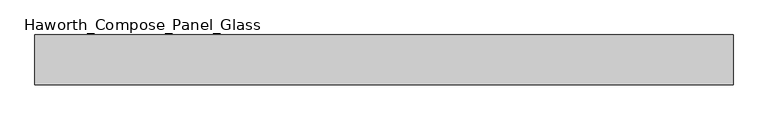
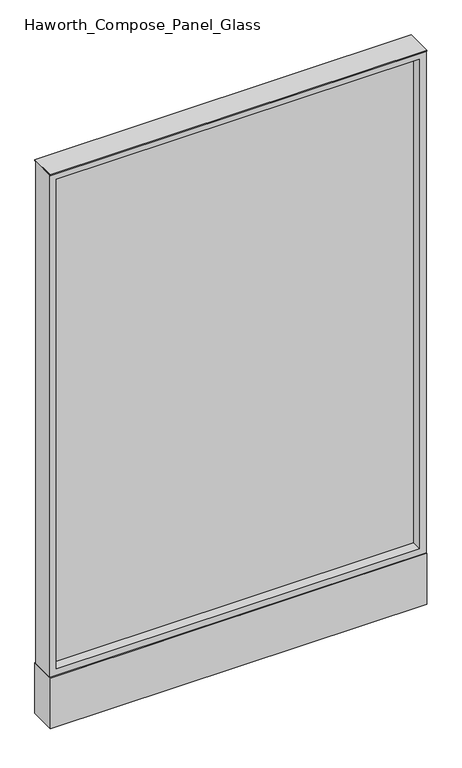
"""IFC4 building model written with IfcOpenShell, lengths in millimetres: furniture geometry, Haworth_Compose_Panel_Glass."""

from ifc_helpers import new_model, si_unit, point, frame, frame_2d, origin, origin_with_axes, place, context, project, spatial, polyline, circle_curve, trimmed, segment, composite_curve, outline, extrude, source, transform, mapped, element, save


def haworth_compose_panel_glass_7b6a0723(model_context):
    return source(origin(), model_context, "Body", "SweptSolid", [
        extrude(outline(composite_curve([segment(trimmed(circle_curve(frame_2d((459.6402902, 0.0)), 12.7), [point((446.9402902, 0.0))], [point((472.3402902, 0.0))], False, "CARTESIAN"), True, "CONTINUOUS"), segment(trimmed(circle_curve(frame_2d((459.6402902, 0.0)), 12.7), [point((472.3402902, 0.0))], [point((446.9402902, 0.0))], False, "CARTESIAN"), True, "CONTINUOUS")], self_intersect=False)), origin_with_axes(), (0.0, 0.0, 1.0), 12.7),
        extrude(outline(composite_curve([segment(trimmed(circle_curve(frame_2d((-454.7597098, 0.0)), 12.7), [point((-467.4597098, 0.0))], [point((-442.0597098, 0.0))], False, "CARTESIAN"), True, "CONTINUOUS"), segment(trimmed(circle_curve(frame_2d((-454.7597098, 0.0)), 12.7), [point((-442.0597098, 0.0))], [point((-467.4597098, 0.0))], False, "CARTESIAN"), True, "CONTINUOUS")], self_intersect=False)), origin_with_axes(), (0.0, 0.0, 1.0), 12.7),
        extrude(outline(polyline([(516.7902902, -6.35), (-511.9097098, -6.35), (-511.9097098, 6.35), (516.7902902, 6.35), (516.7902902, -6.35)])), frame((0.0, 0.0, 184.15), z_axis=(0.0, 0.0, 1.0), x_axis=(1.0, 0.0, 0.0)), (0.0, 0.0, 1.0), 1466.85),
        extrude(outline(polyline([(1670.05, -530.9597098), (165.1, -530.9597098), (165.1, 535.8402902), (1670.05, 535.8402902), (1670.05, -530.9597098)]), holes=[polyline([(1651.0, 516.7902902), (184.15, 516.7902902), (184.15, -511.9097098), (1651.0, -511.9097098), (1651.0, 516.7902902)])]), frame((0.0, -34.925, 0.0), z_axis=(0.0, 1.0, 0.0), x_axis=(0.0, 0.0, 1.0)), (0.0, 0.0, 1.0), 69.85),
        extrude(outline(polyline([(-530.9597098, 38.1), (535.8402902, 38.1), (535.8402902, -38.1), (-530.9597098, -38.1), (-530.9597098, 38.1)])), frame((0.0, 0.0, 12.7), z_axis=(0.0, 0.0, 1.0), x_axis=(1.0, 0.0, 0.0)), (0.0, 0.0, 1.0), 152.4),
        extrude(outline(polyline([(-530.9597098, -38.1), (-530.9597098, 38.1), (535.8402902, 38.1), (535.8402902, -38.1), (-530.9597098, -38.1)])), frame((0.0, 0.0, 1670.05), z_axis=(0.0, 0.0, 1.0), x_axis=(1.0, 0.0, 0.0)), (0.0, 0.0, 1.0), 3.175),
    ])


if __name__ == "__main__":
    model = new_model("IFC4")
    model_context = context("Model", 3, world=origin())
    ifc_project = project(units=[si_unit("LENGTHUNIT", "METRE", prefix="MILLI")], contexts=[model_context])
    site = spatial("IfcSite", under=ifc_project)
    building = spatial("IfcBuilding", under=site)
    placement = place(None, origin())
    haworth_compose_panel_glass_shape = haworth_compose_panel_glass_7b6a0723(model_context)
    element("IfcFurniture", 1, ObjectType="Haworth_Compose_Panel_Glass", at=placement, inside=building, context=model_context, shape_type="MappedRepresentation", body=[
        mapped(haworth_compose_panel_glass_shape, transform((0.0, 0.0, 0.0), x_axis=(1.0, 0.0, 0.0), y_axis=(0.0, 1.0, 0.0), z_axis=(0.0, 0.0, 1.0))),
    ])
    save(model, "model.ifc")
